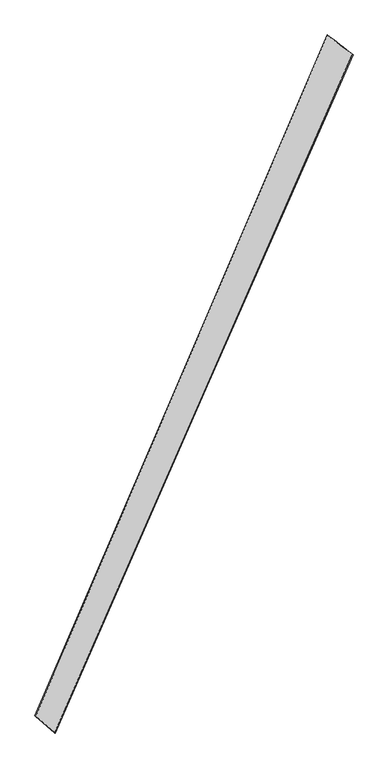
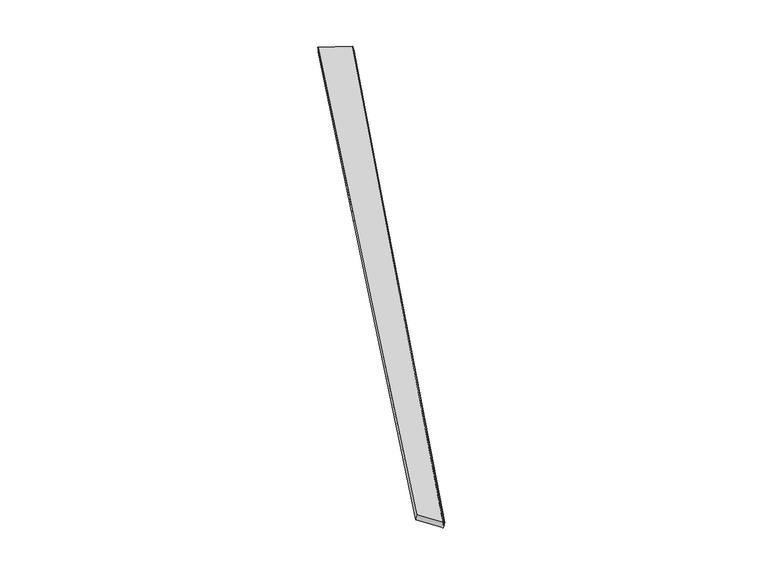
"""IFC4 building model written with IfcOpenShell, lengths in millimetres: proxy geometry."""

from ifc_helpers import new_model, si_unit, origin, place, context, project, spatial, source, transform, mapped, element, save
from ifc_brep_helpers import spline_surface, advanced_brep


def generic_models_03270ce5(model_context):
    return source(origin(), model_context, "Body", "AdvancedBrep", [
        advanced_brep(
        [(-707.3131834, -1791.8600646, -14.5986993), (-712.7268676, -1789.291181, -43.9941557), (987.6881459, 2067.097574, -17.8667848), (982.5033792, 2069.1666604, 11.6092576), (-822.0114059, -1694.4093273, -14.7601249), (843.2882591, 2178.2118371, -41.5459151), (-816.3975071, -1696.611062, 14.6275682), (841.2073112, 2179.3044662, -11.6381265)],
        [
            (0, 1),
            (1, 2),
            (2, 3),
            (3, 0),
            (1, 4),
            (4, 5),
            (5, 2),
            (4, 6),
            (6, 7),
            (7, 5),
            (6, 0),
            (3, 7),
        ],
        [
            spline_surface(1, 1, [[(-707.3131834, -1791.8600646, -14.5986993), (982.5033792, 2069.1666604, 11.6092576)], [(-712.7268676, -1789.291181, -43.9941557), (987.6881459, 2067.097574, -17.8667848)]], [2, 2], [2, 2], [0.0, 1.0], [0.0, 1.0]),
            spline_surface(1, 1, [[(-712.7268676, -1789.291181, -43.9941557), (987.6881459, 2067.097574, -17.8667848)], [(-822.0114059, -1694.4093273, -14.7601249), (843.2882591, 2178.2118371, -41.5459151)]], [2, 2], [2, 2], [0.0, 1.0], [0.0, 1.0]),
            spline_surface(1, 1, [[(-822.0114059, -1694.4093273, -14.7601249), (843.2882591, 2178.2118371, -41.5459151)], [(-816.3975071, -1696.611062, 14.6275682), (841.2073112, 2179.3044662, -11.6381265)]], [2, 2], [2, 2], [0.0, 1.0], [0.0, 1.0]),
            spline_surface(1, 1, [[(-816.3975071, -1696.611062, 14.6275682), (841.2073112, 2179.3044662, -11.6381265)], [(-707.3131834, -1791.8600646, -14.5986993), (982.5033792, 2069.1666604, 11.6092576)]], [2, 2], [2, 2], [0.0, 1.0], [0.0, 1.0]),
            spline_surface(1, 1, [[(987.6881459, 2067.097574, -17.8667848), (982.5033792, 2069.1666604, 11.6092576)], [(843.2882591, 2178.2118371, -41.5459151), (841.2073112, 2179.3044662, -11.6381265)]], [2, 2], [2, 2], [0.0, 1.0], [0.0, 1.0]),
            spline_surface(1, 1, [[(-816.3975071, -1696.611062, 14.6275682), (-707.3131834, -1791.8600646, -14.5986993)], [(-822.0114059, -1694.4093273, -14.7601249), (-712.7268676, -1789.291181, -43.9941557)]], [2, 2], [2, 2], [0.0, 1.0], [0.0, 1.0]),
        ],
        [
            (0, [[1, 2, 3, 4]]),
            (1, [[5, 6, 7, -2]]),
            (2, [[8, 9, 10, -6]]),
            (3, [[11, -4, 12, -9]]),
            (4, [[-3, -7, -10, -12]]),
            (5, [[-11, -8, -5, -1]]),
        ],
    ),
    ])


if __name__ == "__main__":
    model = new_model("IFC4")
    model_context = context("Model", 3, world=origin())
    ifc_project = project(units=[si_unit("LENGTHUNIT", "METRE", prefix="MILLI")], contexts=[model_context])
    site = spatial("IfcSite", under=ifc_project)
    building = spatial("IfcBuilding", under=site)
    placement = place(None, origin())
    generic_models_shape = generic_models_03270ce5(model_context)
    element("IfcBuildingElementProxy", 1, Name="Generic Models", at=placement, inside=building, context=model_context, shape_type="MappedRepresentation", body=[
        mapped(generic_models_shape, transform((0.0, 0.0, 0.0), x_axis=(1.0, 0.0, 0.0), y_axis=(0.0, 1.0, 0.0), z_axis=(0.0, 0.0, 1.0))),
    ])
    save(model, "model.ifc")
